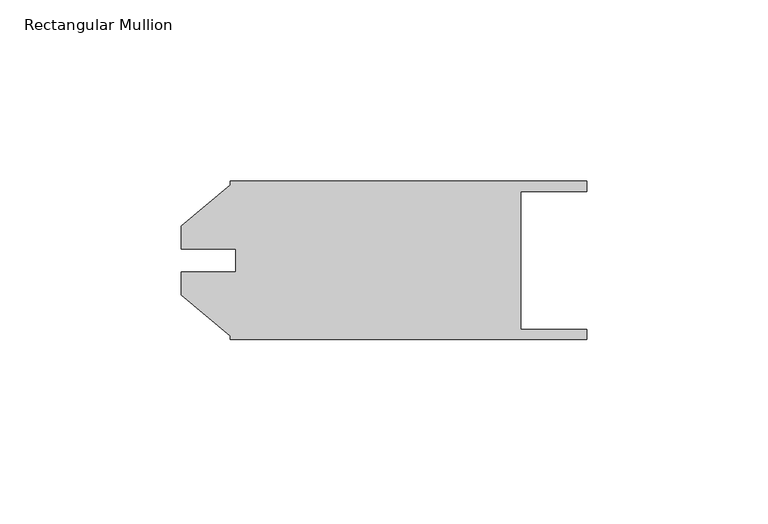
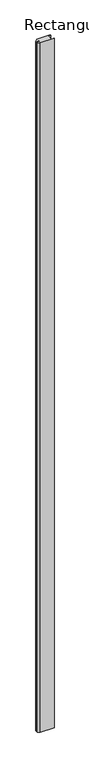
"""IFC4 building model written with IfcOpenShell, lengths in millimetres: member geometry, Rectangular Mullion."""

import ifcopenshell
import ifcopenshell.guid

model = None  # the IFC model being written
_history = None  # IfcOwnerHistory: only IFC2X3 demands one
_inside = {}  # id of a spatial element -> (the spatial element, [elements in it])
_under = {}  # id of a project, library or spatial element -> (it, [spatial elements below it])
_declared = {}  # id of a project -> (the project, [libraries it declares])
_typed = {}  # id of a type object -> (the type object, [elements of that type])
_made_of = {}  # id of a material, layer set ... -> (it, [elements and type objects made of it])


def new_model(schema):
    """Start an empty IFC model of exactly this schema.

    Asked for "IFC4X3", IfcOpenShell would pick the latest addendum, in which some entities
    have other attributes; the version numbers below select the first issue.
    IFC2X3 requires an IfcOwnerHistory on every rooted entity: one is made here for all.
    """
    global model, _history
    if schema == "IFC4X3":
        model = ifcopenshell.file(schema_version=(4, 3, 0, 0))
    else:
        model = ifcopenshell.file(schema=schema)
    _inside.clear()
    _under.clear()
    _declared.clear()
    _typed.clear()
    _made_of.clear()
    _history = None
    if model.schema == "IFC2X3":
        org = make("IfcOrganization", Name="unknown")
        user = make(
            "IfcPersonAndOrganization",
            ThePerson=make("IfcPerson", FamilyName="unknown"),
            TheOrganization=org,
        )
        app = make(
            "IfcApplication",
            ApplicationDeveloper=org,
            Version="unknown",
            ApplicationFullName="unknown",
            ApplicationIdentifier="unknown",
        )
        _history = make(
            "IfcOwnerHistory",
            OwningUser=user,
            OwningApplication=app,
            ChangeAction="ADDED",
            CreationDate=0,
        )
    return model


def make(cls, **values):
    """One entity of the class cls with the attributes given. An attribute that is None is left unset."""
    return model.create_entity(
        cls, **{name: value for name, value in values.items() if value is not None}
    )


def rooted(cls, **values):
    """An entity with a GlobalId (a new one), such as an element, a storey or a relation."""
    return make(cls, GlobalId=ifcopenshell.guid.new(), OwnerHistory=_history, **values)


def si_unit(unit_type, name, prefix=None):
    """IfcSIUnit, for example si_unit("LENGTHUNIT", "METRE", prefix="MILLI")."""
    return make("IfcSIUnit", UnitType=unit_type, Prefix=prefix, Name=name)


def assignment(units):
    """IfcUnitAssignment: the units of a project."""
    return None if units is None else make("IfcUnitAssignment", Units=units)


def point(xyz):
    """IfcCartesianPoint."""
    return None if xyz is None else make("IfcCartesianPoint", Coordinates=xyz)


def direction(xyz):
    """IfcDirection."""
    return None if xyz is None else make("IfcDirection", DirectionRatios=xyz)


def frame(location, z_axis=None, x_axis=None):
    """IfcAxis2Placement3D, a coordinate frame: its origin and axes. An axis left out is left unset."""
    return make(
        "IfcAxis2Placement3D",
        Location=point(location),
        Axis=direction(z_axis),
        RefDirection=direction(x_axis),
    )


def origin():
    """The frame at (0, 0, 0) with its axes left unset."""
    return frame((0.0, 0.0, 0.0))


def place(relative_to, where):
    """IfcLocalPlacement: puts the frame where relative to a parent placement (None: the world)."""
    return make(
        "IfcLocalPlacement", PlacementRelTo=relative_to, RelativePlacement=where
    )


def context(
    kind, dimensions, precision=None, world=None, true_north=None, identifier=None
):
    """IfcGeometricRepresentationContext, for example the 3D "Model" context."""
    return make(
        "IfcGeometricRepresentationContext",
        ContextIdentifier=identifier,
        ContextType=kind,
        CoordinateSpaceDimension=dimensions,
        Precision=precision,
        WorldCoordinateSystem=world,
        TrueNorth=true_north,
    )


def project(units=None, contexts=None):
    """IfcProject with its units and contexts."""
    return rooted(
        "IfcProject",
        Name="project",
        RepresentationContexts=contexts,
        UnitsInContext=assignment(units),
    )


def spatial(cls, under=None, at=None, **own):
    """A site, building, storey or space (cls), placed at a placement, below another one or the project."""
    s = rooted(cls, ObjectPlacement=at, **own)
    if under is not None:
        _under.setdefault(under.id(), (under, []))[1].append(s)
    return s


def polyline(points):
    """IfcPolyline through the points."""
    return make("IfcPolyline", Points=[point(p) for p in points])


def outline(outer, holes=None, kind="AREA"):
    """IfcArbitraryClosedProfileDef: a profile drawn as a closed curve; with holes, ...WithVoids."""
    if holes is None:
        return make("IfcArbitraryClosedProfileDef", ProfileType=kind, OuterCurve=outer)
    return make(
        "IfcArbitraryProfileDefWithVoids",
        ProfileType=kind,
        OuterCurve=outer,
        InnerCurves=holes,
    )


def extrude(swept, where, along, depth):
    """IfcExtrudedAreaSolid: the profile swept, set in the frame where, extruded along a direction by depth."""
    return make(
        "IfcExtrudedAreaSolid",
        SweptArea=swept,
        Position=where,
        ExtrudedDirection=direction(along),
        Depth=depth,
    )


def shape(context_of_items, identifier, shape_type, items):
    """IfcShapeRepresentation: the items that make up one representation, for example the "Body"."""
    return make(
        "IfcShapeRepresentation",
        ContextOfItems=context_of_items,
        RepresentationIdentifier=identifier,
        RepresentationType=shape_type,
        Items=items,
    )


def source(mapping_origin, context_of_items, identifier, shape_type, items):
    """IfcRepresentationMap: a shape defined once, which mapped items show again and again."""
    return make(
        "IfcRepresentationMap",
        MappingOrigin=mapping_origin,
        MappedRepresentation=shape(context_of_items, identifier, shape_type, items),
    )


def transform(
    local_origin,
    x_axis=None,
    y_axis=None,
    z_axis=None,
    scale=None,
    scale2=None,
    scale3=None,
    uniform=True,
):
    """IfcCartesianTransformationOperator3D, or its non-uniform kind. x_axis, y_axis, z_axis: its Axis1, 2, 3."""
    if uniform:
        return make(
            "IfcCartesianTransformationOperator3D",
            Axis1=direction(x_axis),
            Axis2=direction(y_axis),
            LocalOrigin=point(local_origin),
            Scale=scale,
            Axis3=direction(z_axis),
        )
    return make(
        "IfcCartesianTransformationOperator3DnonUniform",
        Axis1=direction(x_axis),
        Axis2=direction(y_axis),
        LocalOrigin=point(local_origin),
        Scale=scale,
        Axis3=direction(z_axis),
        Scale2=scale2,
        Scale3=scale3,
    )


def mapped(mapping_source, mapping_target):
    """IfcMappedItem: shows the shape of a source again, moved by a transform."""
    return make(
        "IfcMappedItem", MappingSource=mapping_source, MappingTarget=mapping_target
    )


def made_of(thing, what):
    """Note that an element or type object is made of a material, layer set ...; save() writes the relation."""
    if what is not None:
        _made_of.setdefault(what.id(), (what, []))[1].append(thing)
    return thing


def element(
    cls,
    number,
    at=None,
    inside=None,
    cuts=None,
    type_object=None,
    material=None,
    context=None,
    identifier="Body",
    shape_type=None,
    held_by="IfcProductDefinitionShape",
    body=None,
    shapes=None,
    **own,
):
    """One element of the class cls, such as IfcWall. Its Tag is "e" and its number.

    at: its placement. inside: the storey or other place that contains it. cuts: it is an
    opening in that element (IfcRelVoidsElement). A single representation is given by context,
    identifier, shape_type and body (its items); several are given by shapes. held_by: the class
    of the entity that holds the representations. save() writes the other relations.
    """
    e = rooted(cls, Tag="e%d" % number, ObjectPlacement=at, **own)
    if body is not None:
        shapes = [shape(context, identifier, shape_type, body)]
    if shapes is not None:
        e.Representation = make(held_by, Representations=shapes)
    if inside is not None:
        _inside.setdefault(inside.id(), (inside, []))[1].append(e)
    if cuts is not None:
        rooted(
            "IfcRelVoidsElement", RelatingBuildingElement=cuts, RelatedOpeningElement=e
        )
    if type_object is not None:
        _typed.setdefault(type_object.id(), (type_object, []))[1].append(e)
    return made_of(e, material)


def aggregate(whole, parts):
    """IfcRelAggregates: a whole, such as a stair, and the parts it consists of."""
    return rooted("IfcRelAggregates", RelatingObject=whole, RelatedObjects=parts)


def save(model, path):
    """Write the relations noted so far, then the file.

    IfcRelAggregates (storeys below a building ...), IfcRelContainedInSpatialStructure (elements
    in a storey), IfcRelDefinesByType, IfcRelAssociatesMaterial and IfcRelDeclares: one each for
    every whole, place, type object, material and project.
    """
    for whole, parts in _under.values():
        aggregate(whole, parts)
    for where, things in _inside.values():
        rooted(
            "IfcRelContainedInSpatialStructure",
            RelatedElements=things,
            RelatingStructure=where,
        )
    for kind, things in _typed.values():
        rooted("IfcRelDefinesByType", RelatedObjects=things, RelatingType=kind)
    for what, things in _made_of.values():
        rooted("IfcRelAssociatesMaterial", RelatedObjects=things, RelatingMaterial=what)
    for by, libraries in _declared.values():
        rooted("IfcRelDeclares", RelatingContext=by, RelatedDefinitions=libraries)
    model.write(path)


def rectangular_mullion_e50df99b(model_context):
    return source(origin(), model_context, "Body", "SweptSolid", [
        extrude(outline(polyline([(-129.3508136, -79.382334), (-129.3508136, -73.0120621), (-114.3140136, -73.0120621), (-114.3140136, -66.6879379), (-129.3508136, -66.6879379), (-129.3508136, -60.317666), (-115.8888136, -49.0217067), (-115.8888136, -47.9552), (-17.4625436, -47.9552), (-17.4625436, -50.8), (-35.6997436, -50.8), (-35.6997436, -88.9), (-17.4625436, -88.9), (-17.4625436, -91.7448), (-115.8888136, -91.7448), (-115.8888136, -90.6782933), (-129.3508136, -79.382334)])), frame((0.0, 0.0, -5232.4), z_axis=(0.0, 0.0, 1.0), x_axis=(1.0, 0.0, 0.0)), (0.0, 0.0, 1.0), 5232.4),
    ])


if __name__ == "__main__":
    model = new_model("IFC4")
    model_context = context("Model", 3, world=origin())
    ifc_project = project(units=[si_unit("LENGTHUNIT", "METRE", prefix="MILLI")], contexts=[model_context])
    site = spatial("IfcSite", under=ifc_project)
    building = spatial("IfcBuilding", under=site)
    placement = place(None, origin())
    rectangular_mullion_shape = rectangular_mullion_e50df99b(model_context)
    element("IfcMember", 1, ObjectType="Rectangular Mullion", at=placement, inside=building, context=model_context, shape_type="MappedRepresentation", body=[
        mapped(rectangular_mullion_shape, transform((0.0, 0.0, 0.0), x_axis=(1.0, 0.0, 0.0), y_axis=(0.0, 1.0, 0.0), z_axis=(0.0, 0.0, 1.0))),
    ])
    save(model, "model.ifc")
